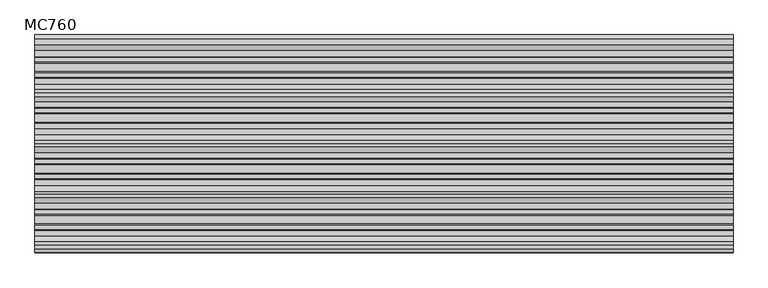
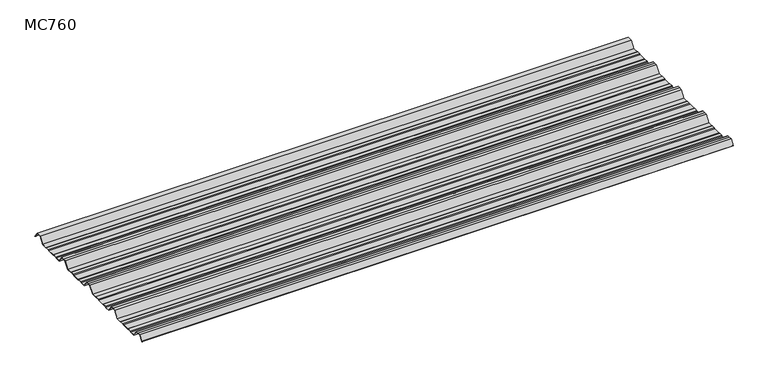
"""IFC4 building model written with IfcOpenShell, lengths in millimetres: beam geometry, MC760."""

import ifcopenshell
import ifcopenshell.guid

model = None  # the IFC model being written
_history = None  # IfcOwnerHistory: only IFC2X3 demands one
_inside = {}  # id of a spatial element -> (the spatial element, [elements in it])
_under = {}  # id of a project, library or spatial element -> (it, [spatial elements below it])
_declared = {}  # id of a project -> (the project, [libraries it declares])
_typed = {}  # id of a type object -> (the type object, [elements of that type])
_made_of = {}  # id of a material, layer set ... -> (it, [elements and type objects made of it])


def new_model(schema):
    """Start an empty IFC model of exactly this schema.

    Asked for "IFC4X3", IfcOpenShell would pick the latest addendum, in which some entities
    have other attributes; the version numbers below select the first issue.
    IFC2X3 requires an IfcOwnerHistory on every rooted entity: one is made here for all.
    """
    global model, _history
    if schema == "IFC4X3":
        model = ifcopenshell.file(schema_version=(4, 3, 0, 0))
    else:
        model = ifcopenshell.file(schema=schema)
    _inside.clear()
    _under.clear()
    _declared.clear()
    _typed.clear()
    _made_of.clear()
    _history = None
    if model.schema == "IFC2X3":
        org = make("IfcOrganization", Name="unknown")
        user = make(
            "IfcPersonAndOrganization",
            ThePerson=make("IfcPerson", FamilyName="unknown"),
            TheOrganization=org,
        )
        app = make(
            "IfcApplication",
            ApplicationDeveloper=org,
            Version="unknown",
            ApplicationFullName="unknown",
            ApplicationIdentifier="unknown",
        )
        _history = make(
            "IfcOwnerHistory",
            OwningUser=user,
            OwningApplication=app,
            ChangeAction="ADDED",
            CreationDate=0,
        )
    return model


def make(cls, **values):
    """One entity of the class cls with the attributes given. An attribute that is None is left unset."""
    return model.create_entity(
        cls, **{name: value for name, value in values.items() if value is not None}
    )


def rooted(cls, **values):
    """An entity with a GlobalId (a new one), such as an element, a storey or a relation."""
    return make(cls, GlobalId=ifcopenshell.guid.new(), OwnerHistory=_history, **values)


def si_unit(unit_type, name, prefix=None):
    """IfcSIUnit, for example si_unit("LENGTHUNIT", "METRE", prefix="MILLI")."""
    return make("IfcSIUnit", UnitType=unit_type, Prefix=prefix, Name=name)


def assignment(units):
    """IfcUnitAssignment: the units of a project."""
    return None if units is None else make("IfcUnitAssignment", Units=units)


def point(xyz):
    """IfcCartesianPoint."""
    return None if xyz is None else make("IfcCartesianPoint", Coordinates=xyz)


def direction(xyz):
    """IfcDirection."""
    return None if xyz is None else make("IfcDirection", DirectionRatios=xyz)


def frame(location, z_axis=None, x_axis=None):
    """IfcAxis2Placement3D, a coordinate frame: its origin and axes. An axis left out is left unset."""
    return make(
        "IfcAxis2Placement3D",
        Location=point(location),
        Axis=direction(z_axis),
        RefDirection=direction(x_axis),
    )


def frame_2d(location, x_axis=None):
    """IfcAxis2Placement2D, a coordinate frame in the plane: its origin and x axis."""
    return make(
        "IfcAxis2Placement2D", Location=point(location), RefDirection=direction(x_axis)
    )


def origin():
    """The frame at (0, 0, 0) with its axes left unset."""
    return frame((0.0, 0.0, 0.0))


def place(relative_to, where):
    """IfcLocalPlacement: puts the frame where relative to a parent placement (None: the world)."""
    return make(
        "IfcLocalPlacement", PlacementRelTo=relative_to, RelativePlacement=where
    )


def context(
    kind, dimensions, precision=None, world=None, true_north=None, identifier=None
):
    """IfcGeometricRepresentationContext, for example the 3D "Model" context."""
    return make(
        "IfcGeometricRepresentationContext",
        ContextIdentifier=identifier,
        ContextType=kind,
        CoordinateSpaceDimension=dimensions,
        Precision=precision,
        WorldCoordinateSystem=world,
        TrueNorth=true_north,
    )


def project(units=None, contexts=None):
    """IfcProject with its units and contexts."""
    return rooted(
        "IfcProject",
        Name="project",
        RepresentationContexts=contexts,
        UnitsInContext=assignment(units),
    )


def spatial(cls, under=None, at=None, **own):
    """A site, building, storey or space (cls), placed at a placement, below another one or the project."""
    s = rooted(cls, ObjectPlacement=at, **own)
    if under is not None:
        _under.setdefault(under.id(), (under, []))[1].append(s)
    return s


def polyline(points):
    """IfcPolyline through the points."""
    return make("IfcPolyline", Points=[point(p) for p in points])


def circle_curve(where, radius):
    """IfcCircle in the frame where."""
    return make("IfcCircle", Position=where, Radius=radius)


def trimmed(basis, trim1, trim2, sense, master):
    """IfcTrimmedCurve: the piece of a basis curve between two trims."""
    return make(
        "IfcTrimmedCurve",
        BasisCurve=basis,
        Trim1=trim1,
        Trim2=trim2,
        SenseAgreement=sense,
        MasterRepresentation=master,
    )


def segment(curve, same_sense, transition):
    """IfcCompositeCurveSegment."""
    return make(
        "IfcCompositeCurveSegment",
        Transition=transition,
        SameSense=same_sense,
        ParentCurve=curve,
    )


def composite_curve(segments, self_intersect=None):
    """IfcCompositeCurve: segments joined end to end."""
    return make("IfcCompositeCurve", Segments=segments, SelfIntersect=self_intersect)


def outline(outer, holes=None, kind="AREA"):
    """IfcArbitraryClosedProfileDef: a profile drawn as a closed curve; with holes, ...WithVoids."""
    if holes is None:
        return make("IfcArbitraryClosedProfileDef", ProfileType=kind, OuterCurve=outer)
    return make(
        "IfcArbitraryProfileDefWithVoids",
        ProfileType=kind,
        OuterCurve=outer,
        InnerCurves=holes,
    )


def extrude(swept, where, along, depth):
    """IfcExtrudedAreaSolid: the profile swept, set in the frame where, extruded along a direction by depth."""
    return make(
        "IfcExtrudedAreaSolid",
        SweptArea=swept,
        Position=where,
        ExtrudedDirection=direction(along),
        Depth=depth,
    )


def shape(context_of_items, identifier, shape_type, items):
    """IfcShapeRepresentation: the items that make up one representation, for example the "Body"."""
    return make(
        "IfcShapeRepresentation",
        ContextOfItems=context_of_items,
        RepresentationIdentifier=identifier,
        RepresentationType=shape_type,
        Items=items,
    )


def source(mapping_origin, context_of_items, identifier, shape_type, items):
    """IfcRepresentationMap: a shape defined once, which mapped items show again and again."""
    return make(
        "IfcRepresentationMap",
        MappingOrigin=mapping_origin,
        MappedRepresentation=shape(context_of_items, identifier, shape_type, items),
    )


def transform(
    local_origin,
    x_axis=None,
    y_axis=None,
    z_axis=None,
    scale=None,
    scale2=None,
    scale3=None,
    uniform=True,
):
    """IfcCartesianTransformationOperator3D, or its non-uniform kind. x_axis, y_axis, z_axis: its Axis1, 2, 3."""
    if uniform:
        return make(
            "IfcCartesianTransformationOperator3D",
            Axis1=direction(x_axis),
            Axis2=direction(y_axis),
            LocalOrigin=point(local_origin),
            Scale=scale,
            Axis3=direction(z_axis),
        )
    return make(
        "IfcCartesianTransformationOperator3DnonUniform",
        Axis1=direction(x_axis),
        Axis2=direction(y_axis),
        LocalOrigin=point(local_origin),
        Scale=scale,
        Axis3=direction(z_axis),
        Scale2=scale2,
        Scale3=scale3,
    )


def mapped(mapping_source, mapping_target):
    """IfcMappedItem: shows the shape of a source again, moved by a transform."""
    return make(
        "IfcMappedItem", MappingSource=mapping_source, MappingTarget=mapping_target
    )


def made_of(thing, what):
    """Note that an element or type object is made of a material, layer set ...; save() writes the relation."""
    if what is not None:
        _made_of.setdefault(what.id(), (what, []))[1].append(thing)
    return thing


def element(
    cls,
    number,
    at=None,
    inside=None,
    cuts=None,
    type_object=None,
    material=None,
    context=None,
    identifier="Body",
    shape_type=None,
    held_by="IfcProductDefinitionShape",
    body=None,
    shapes=None,
    **own,
):
    """One element of the class cls, such as IfcWall. Its Tag is "e" and its number.

    at: its placement. inside: the storey or other place that contains it. cuts: it is an
    opening in that element (IfcRelVoidsElement). A single representation is given by context,
    identifier, shape_type and body (its items); several are given by shapes. held_by: the class
    of the entity that holds the representations. save() writes the other relations.
    """
    e = rooted(cls, Tag="e%d" % number, ObjectPlacement=at, **own)
    if body is not None:
        shapes = [shape(context, identifier, shape_type, body)]
    if shapes is not None:
        e.Representation = make(held_by, Representations=shapes)
    if inside is not None:
        _inside.setdefault(inside.id(), (inside, []))[1].append(e)
    if cuts is not None:
        rooted(
            "IfcRelVoidsElement", RelatingBuildingElement=cuts, RelatedOpeningElement=e
        )
    if type_object is not None:
        _typed.setdefault(type_object.id(), (type_object, []))[1].append(e)
    return made_of(e, material)


def aggregate(whole, parts):
    """IfcRelAggregates: a whole, such as a stair, and the parts it consists of."""
    return rooted("IfcRelAggregates", RelatingObject=whole, RelatedObjects=parts)


def save(model, path):
    """Write the relations noted so far, then the file.

    IfcRelAggregates (storeys below a building ...), IfcRelContainedInSpatialStructure (elements
    in a storey), IfcRelDefinesByType, IfcRelAssociatesMaterial and IfcRelDeclares: one each for
    every whole, place, type object, material and project.
    """
    for whole, parts in _under.values():
        aggregate(whole, parts)
    for where, things in _inside.values():
        rooted(
            "IfcRelContainedInSpatialStructure",
            RelatedElements=things,
            RelatingStructure=where,
        )
    for kind, things in _typed.values():
        rooted("IfcRelDefinesByType", RelatedObjects=things, RelatingType=kind)
    for what, things in _made_of.values():
        rooted("IfcRelAssociatesMaterial", RelatedObjects=things, RelatingMaterial=what)
    for by, libraries in _declared.values():
        rooted("IfcRelDeclares", RelatingContext=by, RelatedDefinitions=libraries)
    model.write(path)


def mc760_94c03613(model_context):
    return source(origin(), model_context, "Body", "SweptSolid", [
        extrude(outline(composite_curve([segment(polyline([(-157.5000859, -25.7896475), (-178.0745114, 2.2103525), (-190.0, 2.2103525), (-201.9254886, 2.2103525), (-222.4999141, -25.7896475), (-245.1975582, -25.7896475), (-248.4126024, -23.7494212), (-264.8405937, -23.7494212), (-269.2209114, -25.7896475), (-300.7790886, -25.7896475), (-305.1594063, -23.7494212), (-321.5873976, -23.7494212), (-324.8024418, -25.7896475), (-347.5000859, -25.7896475), (-368.0745114, 2.2103525), (-380.0, 2.2103525), (-391.9254886, 2.2103525), (-412.4999141, -25.7896475), (-435.1975582, -25.7896475), (-438.4126024, -23.7494212), (-454.8405937, -23.7494212), (-459.2209114, -25.7896475), (-490.7790886, -25.7896475), (-495.1594063, -23.7494212), (-511.5873976, -23.7494212), (-514.8024418, -25.7896475), (-537.5000859, -25.7896475), (-558.0745114, 2.2103525), (-570.0, 2.2103525), (-581.9254886, 2.2103525), (-602.4999141, -25.7896475), (-625.1975582, -25.7896475), (-628.4126024, -23.7494212), (-644.8405937, -23.7494212), (-649.2209114, -25.7896475), (-680.7790886, -25.7896475), (-685.1594063, -23.7494212), (-701.5873976, -23.7494212), (-704.8024418, -25.7896475), (-727.5000859, -25.7896475), (-748.0745114, 2.2103525), (-760.0, 2.2103525), (-771.9254886, 2.2103525), (-787.4770979, -18.9540324)]), True, "CONTINUOUS"), segment(trimmed(circle_curve(frame_2d((-787.9022179, -18.6416538)), 0.5275485), [point((-787.4770979, -18.9540324))], [point((-788.327338, -18.3292752))], False, "CARTESIAN"), True, "CONTINUOUS"), segment(polyline([(-788.327338, -18.3292752), (-772.5, 3.2103525), (-760.0, 3.2103525), (-747.5, 3.2103525), (-726.9255746, -24.7896475), (-705.0929563, -24.7896475), (-701.8779121, -22.7494212), (-684.9379428, -22.7494212), (-680.5576251, -24.7896475), (-649.4423749, -24.7896475), (-645.0620572, -22.7494212), (-628.1220879, -22.7494212), (-624.9070437, -24.7896475), (-603.0744254, -24.7896475), (-582.5, 3.2103525), (-570.0, 3.2103525), (-557.5, 3.2103525), (-536.9255746, -24.7896475), (-515.0929563, -24.7896475), (-511.8779121, -22.7494212), (-494.9379428, -22.7494212), (-490.5576251, -24.7896475), (-459.4423749, -24.7896475), (-455.0620572, -22.7494212), (-438.1220879, -22.7494212), (-434.9070437, -24.7896475), (-413.0744254, -24.7896475), (-392.5, 3.2103525), (-380.0, 3.2103525), (-367.5, 3.2103525), (-346.9255746, -24.7896475), (-325.0929563, -24.7896475), (-321.8779121, -22.7494212), (-304.9379428, -22.7494212), (-300.5576251, -24.7896475), (-269.4423749, -24.7896475), (-265.0620572, -22.7494212), (-248.1220879, -22.7494212), (-244.9070437, -24.7896475), (-223.0744254, -24.7896475), (-202.5, 3.2103525), (-190.0, 3.2103525), (-177.5, 3.2103525), (-156.9255746, -24.7896475), (-135.0929563, -24.7896475), (-131.8779121, -22.7494212), (-114.9379428, -22.7494212), (-110.5576251, -24.7896475), (-79.4423749, -24.7896475), (-75.0620572, -22.7494212), (-58.1220879, -22.7494212), (-54.9070437, -24.7896475), (-30.524173, -24.7896475), (-11.4193494, 1.2103525), (11.4193494, 1.2103525), (27.9327415, -21.262935)]), True, "CONTINUOUS"), segment(trimmed(circle_curve(frame_2d((27.5298212, -21.5590012)), 0.5), [point((27.9327415, -21.262935))], [point((27.1269009, -21.8550675))], False, "CARTESIAN"), True, "CONTINUOUS"), segment(polyline([(27.1269009, -21.8550675), (10.9132102, 0.2103525), (-10.9132102, 0.2103525), (-30.0180338, -25.7896475), (-55.1975582, -25.7896475), (-58.4126024, -23.7494212), (-74.8405937, -23.7494212), (-79.2209114, -25.7896475), (-110.7790886, -25.7896475), (-115.1594063, -23.7494212), (-131.5873976, -23.7494212), (-134.8024418, -25.7896475), (-157.5000859, -25.7896475)]), True, "CONTINUOUS")], self_intersect=False)), frame((-1305.1332383, 0.0, 0.0), z_axis=(1.0, 0.0, 0.0), x_axis=(0.0, 1.0, 0.0)), (0.0, 0.0, 1.0), 2610.2664766),
    ])


if __name__ == "__main__":
    model = new_model("IFC4")
    model_context = context("Model", 3, world=origin())
    ifc_project = project(units=[si_unit("LENGTHUNIT", "METRE", prefix="MILLI")], contexts=[model_context])
    site = spatial("IfcSite", under=ifc_project)
    building = spatial("IfcBuilding", under=site)
    placement = place(None, origin())
    mc760_shape = mc760_94c03613(model_context)
    element("IfcBeam", 1, ObjectType="MC760", at=placement, inside=building, context=model_context, shape_type="MappedRepresentation", body=[
        mapped(mc760_shape, transform((0.0, 0.0, 0.0), x_axis=(1.0, 0.0, 0.0), y_axis=(0.0, 1.0, 0.0), z_axis=(0.0, 0.0, 1.0))),
    ])
    save(model, "model.ifc")
